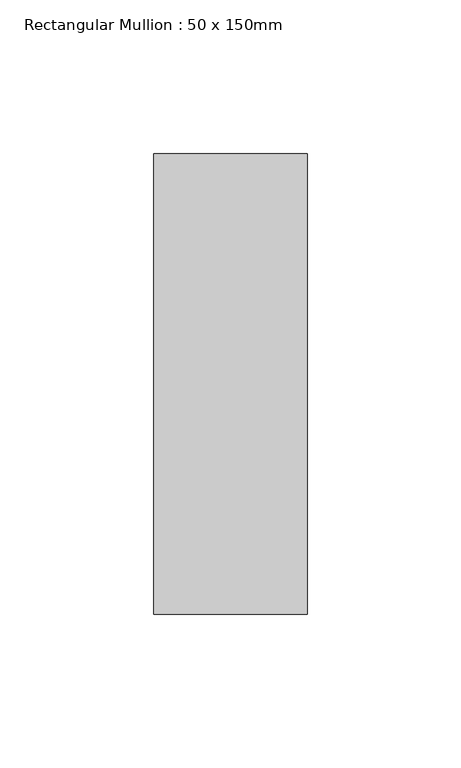
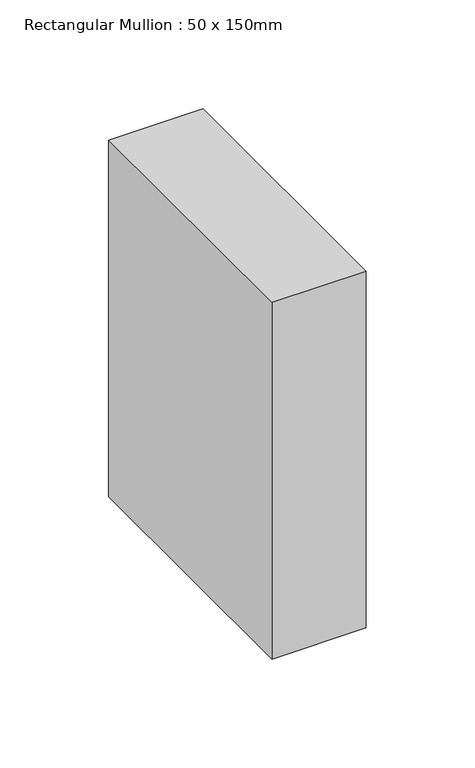
"""IFC4 building model written with IfcOpenShell, lengths in millimetres: member geometry, Rectangular Mullion : 50 x 150mm."""

from ifc_helpers import new_model, si_unit, frame, origin, place, context, project, spatial, polyline, outline, extrude, source, transform, mapped, element, save


def rectangular_mullion_50_x_150mm_03f9fa20(model_context):
    return source(origin(), model_context, "Body", "SweptSolid", [
        extrude(outline(polyline([(0.0, 75.0), (0.0, -75.0), (-50.0, -75.0), (-50.0, 75.0), (0.0, 75.0)])), frame((0.0, 0.0, -200.0), z_axis=(0.0, 0.0, 1.0), x_axis=(1.0, 0.0, 0.0)), (0.0, 0.0, 1.0), 200.0),
    ])


if __name__ == "__main__":
    model = new_model("IFC4")
    model_context = context("Model", 3, world=origin())
    ifc_project = project(units=[si_unit("LENGTHUNIT", "METRE", prefix="MILLI")], contexts=[model_context])
    site = spatial("IfcSite", under=ifc_project)
    building = spatial("IfcBuilding", under=site)
    placement = place(None, origin())
    rectangular_mullion_50_x_150mm_shape = rectangular_mullion_50_x_150mm_03f9fa20(model_context)
    element("IfcMember", 1, ObjectType="Rectangular Mullion : 50 x 150mm", at=placement, inside=building, context=model_context, shape_type="MappedRepresentation", body=[
        mapped(rectangular_mullion_50_x_150mm_shape, transform((0.0, 0.0, 0.0), x_axis=(1.0, 0.0, 0.0), y_axis=(0.0, 1.0, 0.0), z_axis=(0.0, 0.0, 1.0))),
    ])
    save(model, "model.ifc")
